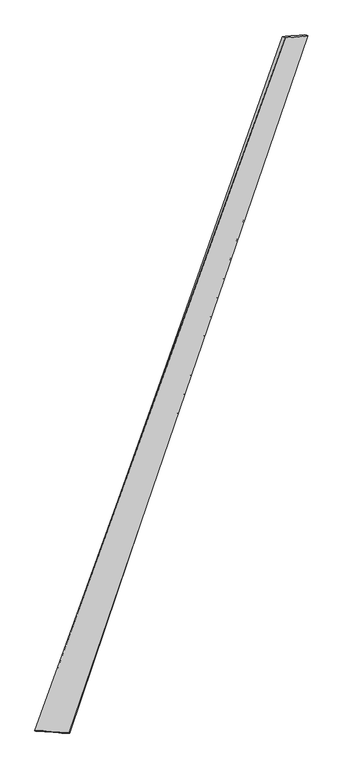
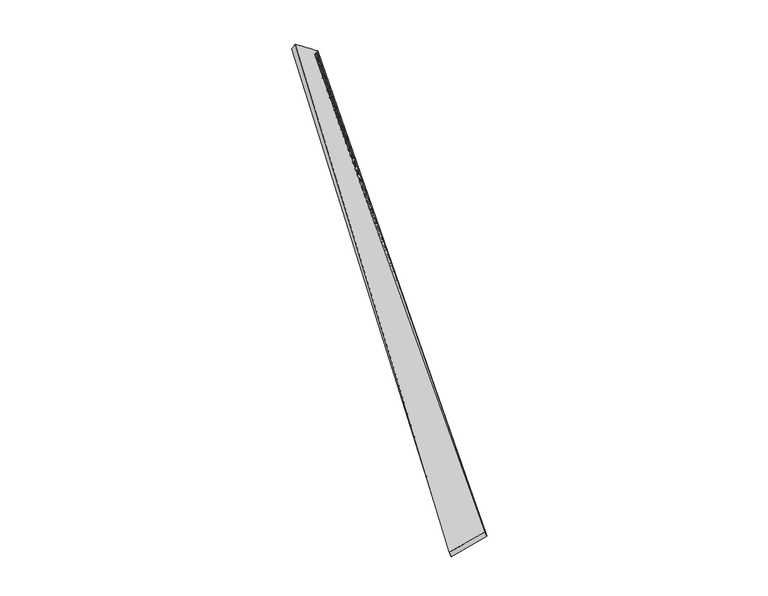
"""IFC4 building model written with IfcOpenShell, lengths in millimetres: proxy geometry."""

from ifc_helpers import new_model, si_unit, origin, place, context, project, spatial, source, transform, mapped, element, save
from ifc_brep_helpers import spline_surface, advanced_brep


def generic_models_9fbbbc6a(model_context):
    return source(origin(), model_context, "Body", "AdvancedBrep", [
        advanced_brep(
        [(-714.8837786, -1811.0389059, -29.7032497), (-724.4562356, -1808.1784865, -1.4156893), (720.5719312, 2184.8915649, 69.6091456), (703.721094, 2191.3155024, 45.6345275), (-530.6828779, -1818.0566675, 58.3361466), (851.4204726, 2195.5322276, -21.5424959), (-522.9564431, -1821.2007154, 29.5191869), (834.1191278, 2200.924119, -45.4504647)],
        [
            (0, 1),
            (1, 2),
            (2, 3),
            (3, 0),
            (1, 4),
            (4, 5),
            (5, 2),
            (4, 6),
            (6, 7),
            (7, 5),
            (6, 0),
            (3, 7),
        ],
        [
            spline_surface(1, 1, [[(-714.8837786, -1811.0389059, -29.7032497), (703.721094, 2191.3155024, 45.6345275)], [(-724.4562356, -1808.1784865, -1.4156893), (720.5719312, 2184.8915649, 69.6091456)]], [2, 2], [2, 2], [0.0, 1.0], [0.0, 1.0]),
            spline_surface(1, 1, [[(-724.4562356, -1808.1784865, -1.4156893), (720.5719312, 2184.8915649, 69.6091456)], [(-530.6828779, -1818.0566675, 58.3361466), (851.4204726, 2195.5322276, -21.5424959)]], [2, 2], [2, 2], [0.0, 1.0], [0.0, 1.0]),
            spline_surface(1, 1, [[(-530.6828779, -1818.0566675, 58.3361466), (851.4204726, 2195.5322276, -21.5424959)], [(-522.9564431, -1821.2007154, 29.5191869), (834.1191278, 2200.924119, -45.4504647)]], [2, 2], [2, 2], [0.0, 1.0], [0.0, 1.0]),
            spline_surface(1, 1, [[(-522.9564431, -1821.2007154, 29.5191869), (834.1191278, 2200.924119, -45.4504647)], [(-714.8837786, -1811.0389059, -29.7032497), (703.721094, 2191.3155024, 45.6345275)]], [2, 2], [2, 2], [0.0, 1.0], [0.0, 1.0]),
            spline_surface(1, 1, [[(720.5719312, 2184.8915649, 69.6091456), (703.721094, 2191.3155024, 45.6345275)], [(851.4204726, 2195.5322276, -21.5424959), (834.1191278, 2200.924119, -45.4504647)]], [2, 2], [2, 2], [0.0, 1.0], [0.0, 1.0]),
            spline_surface(1, 1, [[(-522.9564431, -1821.2007154, 29.5191869), (-714.8837786, -1811.0389059, -29.7032497)], [(-530.6828779, -1818.0566675, 58.3361466), (-724.4562356, -1808.1784865, -1.4156893)]], [2, 2], [2, 2], [0.0, 1.0], [0.0, 1.0]),
        ],
        [
            (0, [[1, 2, 3, 4]]),
            (1, [[5, 6, 7, -2]]),
            (2, [[8, 9, 10, -6]]),
            (3, [[11, -4, 12, -9]]),
            (4, [[-3, -7, -10, -12]]),
            (5, [[-11, -8, -5, -1]]),
        ],
    ),
    ])


if __name__ == "__main__":
    model = new_model("IFC4")
    model_context = context("Model", 3, world=origin())
    ifc_project = project(units=[si_unit("LENGTHUNIT", "METRE", prefix="MILLI")], contexts=[model_context])
    site = spatial("IfcSite", under=ifc_project)
    building = spatial("IfcBuilding", under=site)
    placement = place(None, origin())
    generic_models_shape = generic_models_9fbbbc6a(model_context)
    element("IfcBuildingElementProxy", 1, Name="Generic Models", at=placement, inside=building, context=model_context, shape_type="MappedRepresentation", body=[
        mapped(generic_models_shape, transform((0.0, 0.0, 0.0), x_axis=(1.0, 0.0, 0.0), y_axis=(0.0, 1.0, 0.0), z_axis=(0.0, 0.0, 1.0))),
    ])
    save(model, "model.ifc")
